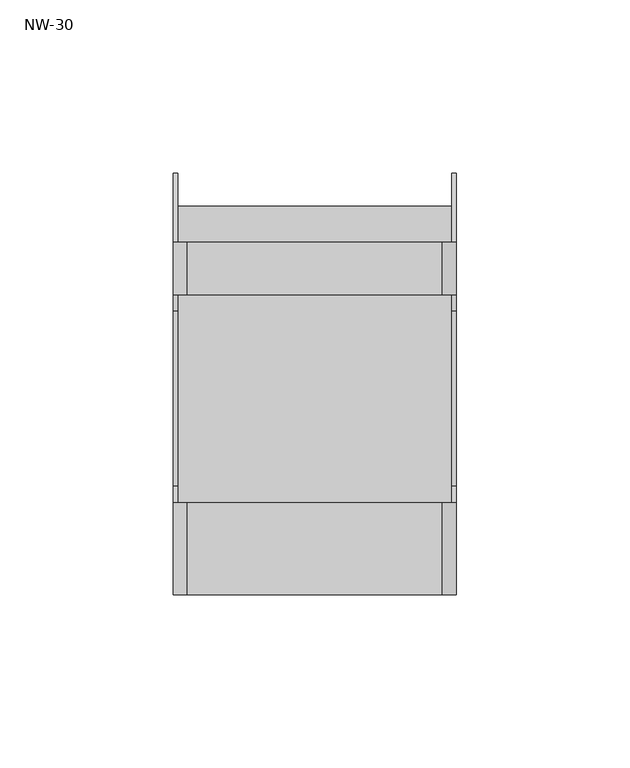
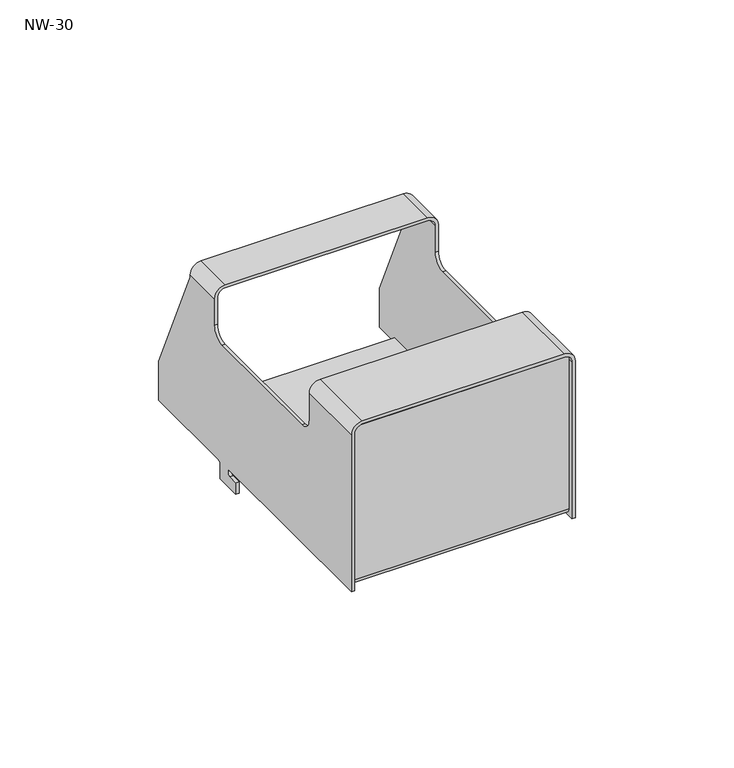
"""IFC4 building model written with IfcOpenShell, lengths in millimetres: furniture geometry, NW-30."""

from ifc_helpers import new_model, si_unit, point, frame, frame_2d, origin, place, context, project, spatial, polyline, circle_curve, trimmed, segment, composite_curve, outline, extrude, source, transform, mapped, element, save
from ifc_brep_helpers import plane_surface, cylinder_surface, revolved_surface, advanced_brep


def nw_30_6f6248df(model_context):
    return source(origin(), model_context, "Body", "SolidModel", [
        extrude(outline(composite_curve([segment(trimmed(circle_curve(frame_2d((-73.5747965, 2.6251672)), 2.1251614), [point((-73.5747965, 0.5000058))], [point((-75.6999578, 2.6251672))], False, "CARTESIAN"), True, "CONTINUOUS"), segment(polyline([(-75.6999578, 2.6251672), (-75.6999578, 61.3999972), (-74.5093328, 61.3999972), (-74.5093328, 2.6251672)]), True, "CONTINUOUS"), segment(trimmed(circle_curve(frame_2d((-73.5747965, 2.6251672)), 0.9345364), [point((-74.5093328, 2.6251672))], [point((-73.5747965, 1.6906308))], True, "CARTESIAN"), True, "CONTINUOUS"), segment(polyline([(-73.5747965, 1.6906308), (34.3000139, 1.6906308), (34.3000139, 0.5000058), (-73.5747965, 0.5000058)]), True, "CONTINUOUS")], self_intersect=False)), frame((-39.5499967, 0.0, 0.0), z_axis=(1.0, 0.0, 0.0), x_axis=(0.0, 1.0, 0.0)), (0.0, 0.0, 1.0), 79.1093677),
        advanced_brep(
        [(-40.7499961, -4.8999916, -6.6999919), (-40.7499961, 4.8999916, -6.6999919), (-39.5593711, 4.8999916, -6.6999919), (-39.5593711, -4.8999916, -6.6999919), (-39.5593711, 4.8999916, -1.190625), (-39.5593711, 6.0906166, 0.0), (-39.5593711, 43.7000216, 0.0), (-39.5593711, 43.7000216, 15.0000042), (-39.5593711, 23.8000008, 59.2999982), (-39.5593711, 23.8000008, 60.3312519), (-39.5593711, 8.6999777, 60.3312519), (-39.5593711, 8.6999777, 50.0487824), (-39.5593711, 3.9511987, 45.3000034), (-39.5593711, -46.5374937, 45.3000034), (-39.5593711, -51.2999937, 50.0625034), (-39.5593711, -51.2999937, 60.3312519), (-39.5593711, -77.6999811, 60.3312519), (-39.5593711, -77.6999811, 0.0), (-39.5593711, -1.058716, 0.0), (-39.5593711, -1.058716, -2.3456417), (-39.5593711, -4.8999916, -2.3456417), (-36.7812461, 23.8000008, 63.1093769), (-36.7812461, 8.6999777, 63.1093769), (-36.7812461, -51.2999937, 63.1093769), (-36.7812461, -77.6999811, 63.1093769), (36.7812461, 23.8000008, 63.1093769), (36.7812461, 8.6999777, 63.1093769), (36.7812461, -51.2999937, 63.1093769), (36.7812461, -77.6999811, 63.1093769), (39.5593711, 23.8000008, 60.3312519), (39.5593711, 8.6999777, 60.3312519), (39.5593711, -51.2999937, 60.3312519), (39.5593711, -77.6999811, 60.3312519), (39.5593711, 23.8000008, 59.2999982), (39.5593711, 43.7000216, 15.0000042), (39.5593711, 43.7000216, 0.0), (39.5593711, 6.0906166, 0.0), (39.5593711, 4.8999916, -1.190625), (39.5593711, 4.8999916, -6.6999919), (39.5593711, -4.8999916, -6.6999919), (39.5593711, -4.8999916, -2.3456417), (39.5593711, -1.058716, -2.3456417), (39.5593711, -1.058716, 0.0), (39.5593711, -77.6999811, 0.0), (39.5593711, -51.2999937, 50.0625034), (39.5593711, -46.5374937, 45.3000034), (39.5593711, 3.9511987, 45.3000034), (39.5593711, 8.6999777, 50.0487824), (40.7499961, 4.8999916, -6.6999919), (40.7499961, -4.8999916, -6.6999919), (40.7499961, 4.8999916, -1.190625), (40.7499961, 6.0906166, 0.0), (40.7499961, 43.7000216, 0.0), (40.7499961, 43.7000216, 15.0000042), (40.7499961, 23.8000008, 59.2999982), (40.7499961, 23.8000008, 60.3312519), (40.7499961, 8.6999777, 60.3312519), (40.7499961, 8.6999777, 50.0487824), (40.7499961, 3.9511987, 45.3000034), (40.7499961, -46.5374937, 45.3000034), (40.7499961, -51.2999937, 50.0625034), (40.7499961, -51.2999937, 60.3312519), (40.7499961, -77.6999811, 60.3312519), (40.7499961, -77.6999811, 0.0), (40.7499961, -1.058716, 0.0), (40.7499961, -1.058716, -2.3456417), (40.7499961, -4.8999916, -2.3456417), (36.7812461, 23.8000008, 64.3000019), (36.7812461, 8.6999777, 64.3000019), (36.7812461, -51.2999937, 64.3000019), (36.7812461, -77.6999811, 64.3000019), (-36.7812461, 23.8000008, 64.3000019), (-36.7812461, 8.6999777, 64.3000019), (-36.7812461, -51.2999937, 64.3000019), (-36.7812461, -77.6999811, 64.3000019), (-40.7499961, 23.8000008, 60.3312519), (-40.7499961, 8.6999777, 60.3312519), (-40.7499961, -51.2999937, 60.3312519), (-40.7499961, -77.6999811, 60.3312519), (-40.7499961, -4.8999916, -2.3456417), (-40.7499961, -1.058716, -2.3456417), (-40.7499961, -1.058716, 0.0), (-40.7499961, -77.6999811, 0.0), (-40.7499961, -51.2999937, 50.0625034), (-40.7499961, -46.5374937, 45.3000034), (-40.7499961, 3.9511987, 45.3000034), (-40.7499961, 8.6999777, 50.0487824), (-40.7499961, 23.8000008, 59.2999982), (-40.7499961, 43.7000216, 15.0000042), (-40.7499961, 43.7000216, 0.0), (-40.7499961, 6.0906166, 0.0), (-40.7499961, 4.8999916, -1.190625)],
        [
            (0, 1),
            (1, 2),
            (2, 3),
            (3, 0),
            (2, 4),
            (4, 5, circle_curve(frame((-39.5593711, 6.0906166, -1.190625), z_axis=(-1.0, 0.0, 0.0), x_axis=(0.0, 1.0, 0.0)), 1.190625)),
            (5, 6),
            (6, 7),
            (7, 8),
            (8, 9),
            (9, 10),
            (10, 11),
            (11, 12, circle_curve(frame((-39.5593711, 3.9511987, 50.0487824), z_axis=(-1.0, 0.0, 0.0), x_axis=(0.0, 1.0, 0.0)), 4.748779)),
            (12, 13),
            (13, 14, circle_curve(frame((-39.5593711, -46.5374937, 50.0625034), z_axis=(-1.0, 0.0, 0.0), x_axis=(0.0, 1.0, 0.0)), 4.7625)),
            (14, 15),
            (15, 16),
            (16, 17),
            (17, 18),
            (18, 19, circle_curve(frame((-39.5593711, -1.058716, -1.1728209), z_axis=(-1.0, 0.0, 0.0), x_axis=(0.0, 1.0, 0.0)), 1.1728209)),
            (19, 20),
            (20, 3),
            (9, 21, circle_curve(frame((-36.7812461, 23.8000008, 60.3312519), z_axis=(0.0, 1.0, 0.0), x_axis=(1.0, 0.0, 0.0)), 2.778125)),
            (21, 22),
            (22, 10, circle_curve(frame((-36.7812461, 8.6999777, 60.3312519), z_axis=(0.0, -1.0, 0.0), x_axis=(1.0, 0.0, 0.0)), 2.778125)),
            (15, 23, circle_curve(frame((-36.7812461, -51.2999937, 60.3312519), z_axis=(0.0, 1.0, 0.0), x_axis=(1.0, 0.0, 0.0)), 2.778125)),
            (23, 24),
            (24, 16, circle_curve(frame((-36.7812461, -77.6999811, 60.3312519), z_axis=(0.0, -1.0, 0.0), x_axis=(1.0, 0.0, 0.0)), 2.778125)),
            (21, 25),
            (25, 26),
            (26, 22),
            (23, 27),
            (27, 28),
            (28, 24),
            (25, 29, circle_curve(frame((36.7812461, 23.8000008, 60.3312519), z_axis=(0.0, 1.0, 0.0), x_axis=(1.0, 0.0, 0.0)), 2.778125)),
            (29, 30),
            (30, 26, circle_curve(frame((36.7812461, 8.6999777, 60.3312519), z_axis=(0.0, -1.0, 0.0), x_axis=(1.0, 0.0, 0.0)), 2.778125)),
            (27, 31, circle_curve(frame((36.7812461, -51.2999937, 60.3312519), z_axis=(0.0, 1.0, 0.0), x_axis=(1.0, 0.0, 0.0)), 2.778125)),
            (31, 32),
            (32, 28, circle_curve(frame((36.7812461, -77.6999811, 60.3312519), z_axis=(0.0, -1.0, 0.0), x_axis=(1.0, 0.0, 0.0)), 2.778125)),
            (29, 33),
            (33, 34),
            (34, 35),
            (35, 36),
            (36, 37, circle_curve(frame((39.5593711, 6.0906166, -1.190625), z_axis=(1.0, 0.0, 0.0), x_axis=(0.0, 1.0, 0.0)), 1.190625)),
            (37, 38),
            (38, 39),
            (39, 40),
            (40, 41),
            (41, 42, circle_curve(frame((39.5593711, -1.058716, -1.1728209), z_axis=(1.0, 0.0, 0.0), x_axis=(0.0, 1.0, 0.0)), 1.1728209)),
            (42, 43),
            (43, 32),
            (31, 44),
            (44, 45, circle_curve(frame((39.5593711, -46.5374937, 50.0625034), z_axis=(1.0, 0.0, 0.0), x_axis=(0.0, 1.0, 0.0)), 4.7625)),
            (45, 46),
            (46, 47, circle_curve(frame((39.5593711, 3.9511987, 50.0487824), z_axis=(1.0, 0.0, 0.0), x_axis=(0.0, 1.0, 0.0)), 4.748779)),
            (47, 30),
            (38, 48),
            (48, 49),
            (49, 39),
            (48, 50),
            (50, 51, circle_curve(frame((40.7499961, 6.0906166, -1.190625), z_axis=(-1.0, 0.0, 0.0), x_axis=(0.0, 1.0, 0.0)), 1.190625)),
            (51, 52),
            (52, 53),
            (53, 54),
            (54, 55),
            (55, 56),
            (56, 57),
            (57, 58, circle_curve(frame((40.7499961, 3.9511987, 50.0487824), z_axis=(-1.0, 0.0, 0.0), x_axis=(0.0, 1.0, 0.0)), 4.748779)),
            (58, 59),
            (59, 60, circle_curve(frame((40.7499961, -46.5374937, 50.0625034), z_axis=(-1.0, 0.0, 0.0), x_axis=(0.0, 1.0, 0.0)), 4.7625)),
            (60, 61),
            (61, 62),
            (62, 63),
            (63, 64),
            (64, 65, circle_curve(frame((40.7499961, -1.058716, -1.1728209), z_axis=(-1.0, 0.0, 0.0), x_axis=(0.0, 1.0, 0.0)), 1.1728209)),
            (65, 66),
            (66, 49),
            (55, 67, circle_curve(frame((36.7812461, 23.8000008, 60.3312519), z_axis=(0.0, -1.0, 0.0), x_axis=(1.0, 0.0, 0.0)), 3.96875)),
            (67, 68),
            (68, 56, circle_curve(frame((36.7812461, 8.6999777, 60.3312519), z_axis=(0.0, 1.0, 0.0), x_axis=(1.0, 0.0, 0.0)), 3.96875)),
            (61, 69, circle_curve(frame((36.7812461, -51.2999937, 60.3312519), z_axis=(0.0, -1.0, 0.0), x_axis=(1.0, 0.0, 0.0)), 3.96875)),
            (69, 70),
            (70, 62, circle_curve(frame((36.7812461, -77.6999811, 60.3312519), z_axis=(0.0, 1.0, 0.0), x_axis=(1.0, 0.0, 0.0)), 3.96875)),
            (67, 71),
            (71, 72),
            (72, 68),
            (69, 73),
            (73, 74),
            (74, 70),
            (71, 75, circle_curve(frame((-36.7812461, 23.8000008, 60.3312519), z_axis=(0.0, -1.0, 0.0), x_axis=(1.0, 0.0, 0.0)), 3.96875)),
            (75, 76),
            (76, 72, circle_curve(frame((-36.7812461, 8.6999777, 60.3312519), z_axis=(0.0, 1.0, 0.0), x_axis=(1.0, 0.0, 0.0)), 3.96875)),
            (73, 77, circle_curve(frame((-36.7812461, -51.2999937, 60.3312519), z_axis=(0.0, -1.0, 0.0), x_axis=(1.0, 0.0, 0.0)), 3.96875)),
            (77, 78),
            (78, 74, circle_curve(frame((-36.7812461, -77.6999811, 60.3312519), z_axis=(0.0, 1.0, 0.0), x_axis=(1.0, 0.0, 0.0)), 3.96875)),
            (0, 79),
            (79, 80),
            (80, 81, circle_curve(frame((-40.7499961, -1.058716, -1.1728209), z_axis=(1.0, 0.0, 0.0), x_axis=(0.0, 1.0, 0.0)), 1.1728209)),
            (81, 82),
            (82, 78),
            (77, 83),
            (83, 84, circle_curve(frame((-40.7499961, -46.5374937, 50.0625034), z_axis=(1.0, 0.0, 0.0), x_axis=(0.0, 1.0, 0.0)), 4.7625)),
            (84, 85),
            (85, 86, circle_curve(frame((-40.7499961, 3.9511987, 50.0487824), z_axis=(1.0, 0.0, 0.0), x_axis=(0.0, 1.0, 0.0)), 4.748779)),
            (86, 76),
            (75, 87),
            (87, 88),
            (88, 89),
            (89, 90),
            (90, 91, circle_curve(frame((-40.7499961, 6.0906166, -1.190625), z_axis=(1.0, 0.0, 0.0), x_axis=(0.0, 1.0, 0.0)), 1.190625)),
            (91, 1),
            (35, 52),
            (51, 36),
            (89, 6),
            (5, 90),
            (50, 37),
            (4, 91),
            (54, 33),
            (8, 87),
            (53, 34),
            (7, 88),
            (60, 44),
            (14, 83),
            (59, 45),
            (13, 84),
            (58, 46),
            (12, 85),
            (57, 47),
            (11, 86),
            (43, 63),
            (82, 17),
            (66, 40),
            (20, 79),
            (65, 41),
            (19, 80),
            (64, 42),
            (18, 81),
        ],
        [
            plane_surface(frame((-40.7499961, -81.0936752, -6.6999919), z_axis=(0.0, 0.0, -1.0), x_axis=(0.0, 1.0, 0.0))),
            plane_surface(frame((-39.5593711, -81.0936752, -6.6999919), z_axis=(1.0, 0.0, 0.0), x_axis=(0.0, 1.0, 0.0))),
            revolved_surface(polyline([(-34.003121099999994, 23.8000008, 60.3312519), (-34.003121099999994, 8.699977699999998, 60.3312519)]), (-36.7812461, 46.799009, 60.3312519), (0.0, 1.0, 0.0)),
            revolved_surface(polyline([(-34.003121099999994, -51.2999937, 60.3312519), (-34.003121099999994, -77.6999811, 60.3312519)]), (-36.7812461, 46.799009, 60.3312519), (0.0, 1.0, 0.0)),
            plane_surface(frame((-36.7812461, -81.0936752, 63.1093769), z_axis=(0.0, 0.0, -1.0), x_axis=(0.0, 1.0, 0.0))),
            revolved_surface(polyline([(39.5593711, 23.8000008, 60.3312519), (39.5593711, 8.699977699999998, 60.3312519)]), (36.7812461, 46.799009, 60.3312519), (0.0, 1.0, 0.0)),
            revolved_surface(polyline([(39.5593711, -51.2999937, 60.3312519), (39.5593711, -77.6999811, 60.3312519)]), (36.7812461, 46.799009, 60.3312519), (0.0, 1.0, 0.0)),
            plane_surface(frame((39.5593711, -81.0936752, 60.3312519), z_axis=(-1.0, 0.0, 0.0), x_axis=(0.0, 1.0, 0.0))),
            plane_surface(frame((39.5593711, -81.0936752, -6.6999919), z_axis=(0.0, 0.0, -1.0), x_axis=(0.0, 1.0, 0.0))),
            plane_surface(frame((40.7499961, -81.0936752, -6.6999919), z_axis=(1.0, 0.0, 0.0), x_axis=(0.0, 1.0, 0.0))),
            cylinder_surface(frame((36.7812461, 46.799009, 60.3312519), z_axis=(0.0, -1.0, 0.0), x_axis=(1.0, 0.0, 0.0)), 3.96875),
            plane_surface(frame((36.7812461, -81.0936752, 64.3000019), z_axis=(0.0, 0.0, 1.0), x_axis=(0.0, 1.0, 0.0))),
            cylinder_surface(frame((-36.7812461, 46.799009, 60.3312519), z_axis=(0.0, -1.0, 0.0), x_axis=(1.0, 0.0, 0.0)), 3.96875),
            plane_surface(frame((-40.7499961, -81.0936752, 60.3312519), z_axis=(-1.0, 0.0, 0.0), x_axis=(0.0, 1.0, 0.0))),
            plane_surface(frame((59.4159146, 43.7000216, 0.0), z_axis=(0.0, 0.0, -1.0), x_axis=(-1.0, 0.0, 0.0))),
            revolved_surface(polyline([(40.7499961, 7.2812415999999995, -1.190625), (39.5593711, 7.2812415999999995, -1.190625)]), (-59.4159146, 6.0906166, -1.190625), (1.0, 0.0, 0.0)),
            revolved_surface(polyline([(-39.5593711, 7.2812415999999995, -1.190625), (-40.7499961, 7.2812415999999995, -1.190625)]), (-59.4159146, 6.0906166, -1.190625), (1.0, 0.0, 0.0)),
            plane_surface(frame((59.4159146, 4.8999916, -1.190625), z_axis=(0.0, 1.0, 0.0), x_axis=(-1.0, 0.0, 0.0))),
            plane_surface(frame((59.4159146, 23.8000008, 65.6499982), z_axis=(0.0, 1.0, 0.0), x_axis=(-1.0, 0.0, 0.0))),
            plane_surface(frame((59.4159146, 23.8000008, 59.2999982), z_axis=(0.0, 0.912190825406331, 0.4097656623541271), x_axis=(-1.0, 0.0, 0.0))),
            plane_surface(frame((59.4159146, 43.7000216, 15.0000042), z_axis=(0.0, 1.0, 0.0), x_axis=(-1.0, 0.0, 0.0))),
            plane_surface(frame((59.4159146, -51.2999937, 65.6499982), z_axis=(0.0, 1.0, 0.0), x_axis=(-1.0, 0.0, 0.0))),
            revolved_surface(polyline([(40.7499961, -41.774993699999996, 50.0625034), (39.5593711, -41.774993699999996, 50.0625034)]), (-5.974402, -46.5374937, 50.0625034), (1.0, 0.0, 0.0)),
            revolved_surface(polyline([(-39.5593711, -41.774993699999996, 50.0625034), (-40.7499961, -41.774993699999996, 50.0625034)]), (-5.974402, -46.5374937, 50.0625034), (1.0, 0.0, 0.0)),
            plane_surface(frame((59.4159146, -46.5374937, 45.3000034), z_axis=(0.0, 0.0, 1.0), x_axis=(-1.0, 0.0, 0.0))),
            revolved_surface(polyline([(40.7499961, 8.6999777, 50.0487824), (39.5593711, 8.6999777, 50.0487824)]), (-5.974402, 3.9511987, 50.0487824), (1.0, 0.0, 0.0)),
            revolved_surface(polyline([(-39.5593711, 8.6999777, 50.0487824), (-40.7499961, 8.6999777, 50.0487824)]), (-5.974402, 3.9511987, 50.0487824), (1.0, 0.0, 0.0)),
            plane_surface(frame((59.4159146, 8.6999777, 50.0487824), z_axis=(0.0, -1.0, 0.0), x_axis=(-1.0, 0.0, 0.0))),
            plane_surface(frame((59.4159146, -77.6999811, 0.0), z_axis=(0.0, -1.0, 0.0), x_axis=(-1.0, 0.0, 0.0))),
            plane_surface(frame((59.4159146, -4.8999916, -8.3979965), z_axis=(0.0, -1.0, 0.0), x_axis=(-1.0, 0.0, 0.0))),
            plane_surface(frame((59.4159146, -4.8999916, -2.3456417), z_axis=(0.0, 0.0, 1.0), x_axis=(-1.0, 0.0, 0.0))),
            revolved_surface(polyline([(40.7499961, 0.11410490000000006, -1.1728209), (39.5593711, 0.11410490000000006, -1.1728209)]), (-5.974402, -1.058716, -1.1728209), (1.0, 0.0, 0.0)),
            revolved_surface(polyline([(-39.5593711, 0.11410490000000006, -1.1728209), (-40.7499961, 0.11410490000000006, -1.1728209)]), (-5.974402, -1.058716, -1.1728209), (1.0, 0.0, 0.0)),
            plane_surface(frame((59.4159146, -1.058716, 0.0), z_axis=(0.0, 0.0, -1.0), x_axis=(-1.0, 0.0, 0.0))),
        ],
        [
            (0, [[1, 2, 3, 4]]),
            (1, [[-3, 5, 6, 7, 8, 9, 10, 11, 12, 13, 14, 15, 16, 17, 18, 19, 20, 21, 22]]),
            (2, [[-11, 23, 24, 25]]),
            (3, [[-17, 26, 27, 28]]),
            (4, [[-24, 29, 30, 31]]),
            (4, [[-27, 32, 33, 34]]),
            (5, [[-30, 35, 36, 37]]),
            (6, [[-33, 38, 39, 40]]),
            (7, [[-36, 41, 42, 43, 44, 45, 46, 47, 48, 49, 50, 51, 52, -39, 53, 54, 55, 56, 57]]),
            (8, [[-47, 58, 59, 60]]),
            (9, [[-59, 61, 62, 63, 64, 65, 66, 67, 68, 69, 70, 71, 72, 73, 74, 75, 76, 77, 78]]),
            (10, [[-67, 79, 80, 81]]),
            (10, [[-73, 82, 83, 84]]),
            (11, [[-80, 85, 86, 87]]),
            (11, [[-83, 88, 89, 90]]),
            (12, [[-86, 91, 92, 93]]),
            (12, [[-89, 94, 95, 96]]),
            (13, [[-1, 97, 98, 99, 100, 101, -95, 102, 103, 104, 105, 106, -92, 107, 108, 109, 110, 111, 112]]),
            (14, [[113, -63, 114, -44]]),
            (14, [[115, -7, 116, -110]]),
            (15, [[-114, -62, 117, -45]]),
            (16, [[-116, -6, 118, -111]]),
            (17, [[-117, -61, -58, -46]]),
            (17, [[-118, -5, -2, -112]]),
            (18, [[119, -41, -35, -29, -23, -10, 120, -107, -91, -85, -79, -66]]),
            (19, [[-119, -65, 121, -42]]),
            (19, [[-120, -9, 122, -108]]),
            (20, [[-113, -43, -121, -64]]),
            (20, [[-115, -109, -122, -8]]),
            (21, [[123, -53, -38, -32, -26, -16, 124, -102, -94, -88, -82, -72]]),
            (22, [[-123, -71, 125, -54]]),
            (23, [[-124, -15, 126, -103]]),
            (24, [[-125, -70, 127, -55]]),
            (24, [[-126, -14, 128, -104]]),
            (25, [[-127, -69, 129, -56]]),
            (26, [[-128, -13, 130, -105]]),
            (27, [[-129, -68, -81, -87, -93, -106, -130, -12, -25, -31, -37, -57]]),
            (28, [[131, -74, -84, -90, -96, -101, 132, -18, -28, -34, -40, -52]]),
            (29, [[133, -48, -60, -78]]),
            (29, [[134, -97, -4, -22]]),
            (30, [[-133, -77, 135, -49]]),
            (30, [[-134, -21, 136, -98]]),
            (31, [[-135, -76, 137, -50]]),
            (32, [[-136, -20, 138, -99]]),
            (33, [[-131, -51, -137, -75]]),
            (33, [[-132, -100, -138, -19]]),
        ],
    ),
    ])


if __name__ == "__main__":
    model = new_model("IFC4")
    model_context = context("Model", 3, world=origin())
    ifc_project = project(units=[si_unit("LENGTHUNIT", "METRE", prefix="MILLI")], contexts=[model_context])
    site = spatial("IfcSite", under=ifc_project)
    building = spatial("IfcBuilding", under=site)
    placement = place(None, origin())
    nw_30_shape = nw_30_6f6248df(model_context)
    element("IfcFurniture", 1, ObjectType="NW-30", at=placement, inside=building, context=model_context, shape_type="MappedRepresentation", body=[
        mapped(nw_30_shape, transform((0.0, 0.0, 0.0), x_axis=(1.0, 0.0, 0.0), y_axis=(0.0, 1.0, 0.0), z_axis=(0.0, 0.0, 1.0))),
    ])
    save(model, "model.ifc")
